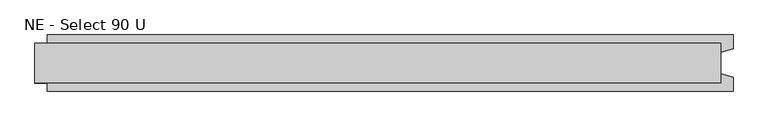
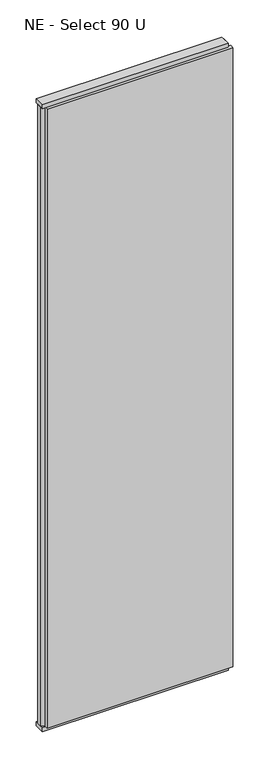
"""IFC4 building model written with IfcOpenShell, lengths in millimetres: plate geometry, NE - Select 90 U."""

from ifc_helpers import new_model, si_unit, frame, origin, origin_with_axes, place, context, project, spatial, polyline, outline, extrude, source, transform, mapped, element, save


def ne_select_90_u_d826fa1e(model_context):
    return source(origin(), model_context, "Body", "SweptSolid", [
        extrude(outline(polyline([(580.5, 46.0), (580.5, 22.9993165), (560.5, 17.6401049), (560.5, -17.6401049), (580.5, -22.9993165), (580.5, -46.0), (-540.5, -46.0), (-540.5, -22.9993165), (-560.5, -17.6401049), (-560.5, 17.6401049), (-540.5, 22.9993165), (-540.5, 46.0), (580.5, 46.0)])), frame((0.0, 0.0, 25.0), z_axis=(0.0, 0.0, 1.0), x_axis=(1.0, 0.0, 0.0)), (0.0, 0.0, 1.0), 3950.0),
        extrude(outline(polyline([(560.5, 32.0), (560.5, -32.0), (-560.5, -32.0), (-560.5, 32.0), (560.5, 32.0)])), origin_with_axes(), (0.0, 0.0, 1.0), 25.0),
        extrude(outline(polyline([(560.5, 32.0), (560.5, -32.0), (-560.5, -32.0), (-560.5, 32.0), (560.5, 32.0)])), frame((0.0, 0.0, 3975.0), z_axis=(0.0, 0.0, 1.0), x_axis=(1.0, 0.0, 0.0)), (0.0, 0.0, 1.0), 25.0),
    ])


if __name__ == "__main__":
    model = new_model("IFC4")
    model_context = context("Model", 3, world=origin())
    ifc_project = project(units=[si_unit("LENGTHUNIT", "METRE", prefix="MILLI")], contexts=[model_context])
    site = spatial("IfcSite", under=ifc_project)
    building = spatial("IfcBuilding", under=site)
    placement = place(None, origin())
    ne_select_90_u_shape = ne_select_90_u_d826fa1e(model_context)
    element("IfcPlate", 1, ObjectType="NE - Select 90 U", at=placement, inside=building, context=model_context, shape_type="MappedRepresentation", body=[
        mapped(ne_select_90_u_shape, transform((0.0, 0.0, 0.0), x_axis=(1.0, 0.0, 0.0), y_axis=(0.0, 1.0, 0.0), z_axis=(0.0, 0.0, 1.0))),
    ])
    save(model, "model.ifc")
